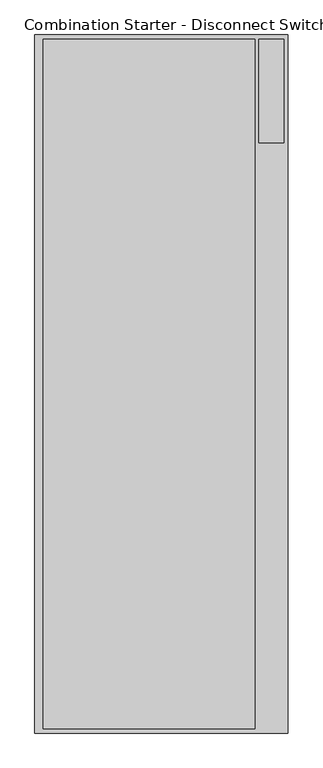
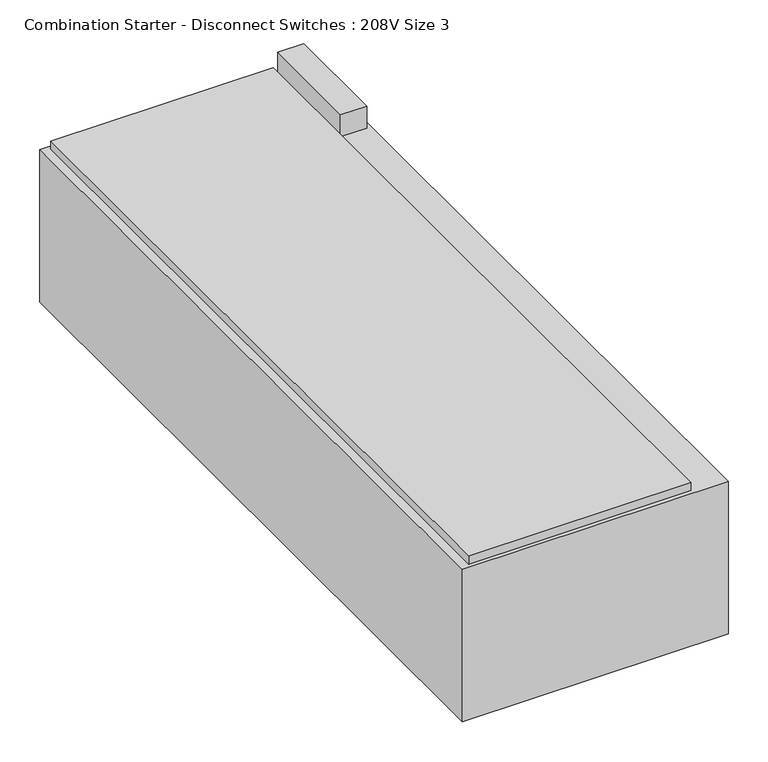
"""IFC4 building model written with IfcOpenShell, lengths in millimetres: proxy geometry, Combination Starter - Disconnect Switches : 208V Size 3."""

from ifc_helpers import new_model, si_unit, frame, origin, origin_with_axes, place, context, project, spatial, polyline, outline, extrude, source, transform, mapped, element, save


def combination_starter_disconnect_switches_208v_size_3_818bf77c(model_context):
    return source(origin(), model_context, "Body", "SweptSolid", [
        extrude(outline(polyline([(-15.875, -6.35), (-15.875, -165.1), (-53.975, -165.1), (-53.975, -6.35), (-15.875, -6.35)])), frame((0.0, 0.0, 234.95), z_axis=(0.0, 0.0, 1.0), x_axis=(1.0, 0.0, 0.0)), (0.0, 0.0, 1.0), 34.13125),
        extrude(outline(polyline([(-60.325, -6.35), (-60.325, -1060.45), (-384.175, -1060.45), (-384.175, -6.35), (-60.325, -6.35)])), frame((0.0, 0.0, 234.95), z_axis=(0.0, 0.0, 1.0), x_axis=(1.0, 0.0, 0.0)), (0.0, 0.0, 1.0), 12.7),
        extrude(outline(polyline([(-9.525, 0.0), (-9.525, -1066.8), (-396.875, -1066.8), (-396.875, 0.0), (-9.525, 0.0)])), origin_with_axes(), (0.0, 0.0, 1.0), 234.95),
    ])


if __name__ == "__main__":
    model = new_model("IFC4")
    model_context = context("Model", 3, world=origin())
    ifc_project = project(units=[si_unit("LENGTHUNIT", "METRE", prefix="MILLI")], contexts=[model_context])
    site = spatial("IfcSite", under=ifc_project)
    building = spatial("IfcBuilding", under=site)
    placement = place(None, origin())
    combination_starter_disconnect_switches_208v_size_3_shape = combination_starter_disconnect_switches_208v_size_3_818bf77c(model_context)
    element("IfcBuildingElementProxy", 1, Name="Combination Starter - Disconnect Switches : 208V Size 3", ObjectType="Combination Starter - Disconnect Switches : 208V Size 3", at=placement, inside=building, context=model_context, shape_type="MappedRepresentation", body=[
        mapped(combination_starter_disconnect_switches_208v_size_3_shape, transform((0.0, 0.0, 0.0), x_axis=(1.0, 0.0, 0.0), y_axis=(0.0, 1.0, 0.0), z_axis=(0.0, 0.0, 1.0))),
    ])
    save(model, "model.ifc")
